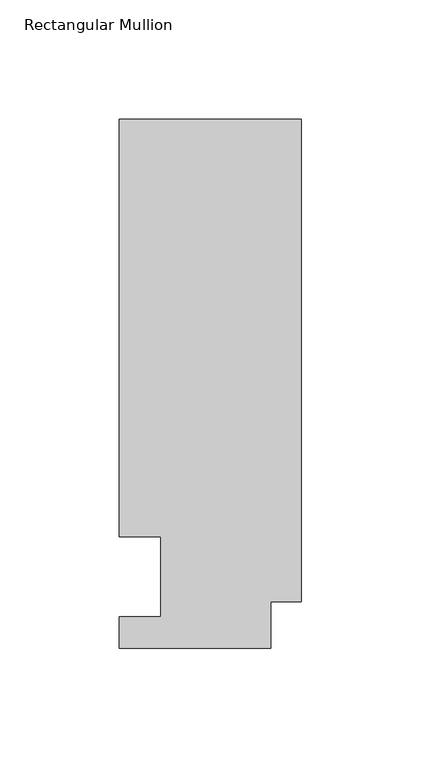
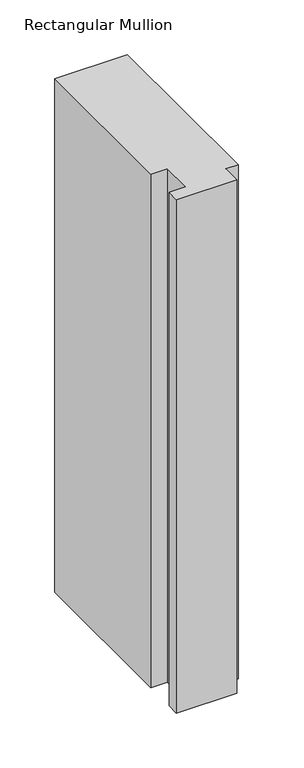
"""IFC4 building model written with IfcOpenShell, lengths in millimetres: member geometry, Rectangular Mullion."""

from ifc_helpers import new_model, si_unit, frame, origin, place, context, project, spatial, polyline, outline, extrude, source, transform, mapped, element, save


def rectangular_mullion_f16417a0(model_context):
    return source(origin(), model_context, "Body", "SweptSolid", [
        extrude(outline(polyline([(0.0, 221.7507313), (0.0, 19.5667313), (-12.7, 19.5667313), (-12.7, 0.041758), (-76.2, 0.041758), (-76.2, 13.224358), (-58.7375002, 13.224358), (-58.7375002, 46.7447302), (-76.2000001, 46.7447302), (-76.2000001, 221.7507313), (0.0, 221.7507313)])), frame((0.0, 0.0, -571.8194229), z_axis=(0.0, 0.0, 1.0), x_axis=(1.0, 0.0, 0.0)), (0.0, 0.0, 1.0), 571.8194229),
    ])


if __name__ == "__main__":
    model = new_model("IFC4")
    model_context = context("Model", 3, world=origin())
    ifc_project = project(units=[si_unit("LENGTHUNIT", "METRE", prefix="MILLI")], contexts=[model_context])
    site = spatial("IfcSite", under=ifc_project)
    building = spatial("IfcBuilding", under=site)
    placement = place(None, origin())
    rectangular_mullion_shape = rectangular_mullion_f16417a0(model_context)
    element("IfcMember", 1, ObjectType="Rectangular Mullion", at=placement, inside=building, context=model_context, shape_type="MappedRepresentation", body=[
        mapped(rectangular_mullion_shape, transform((0.0, 0.0, 0.0), x_axis=(1.0, 0.0, 0.0), y_axis=(0.0, 1.0, 0.0), z_axis=(0.0, 0.0, 1.0))),
    ])
    save(model, "model.ifc")
